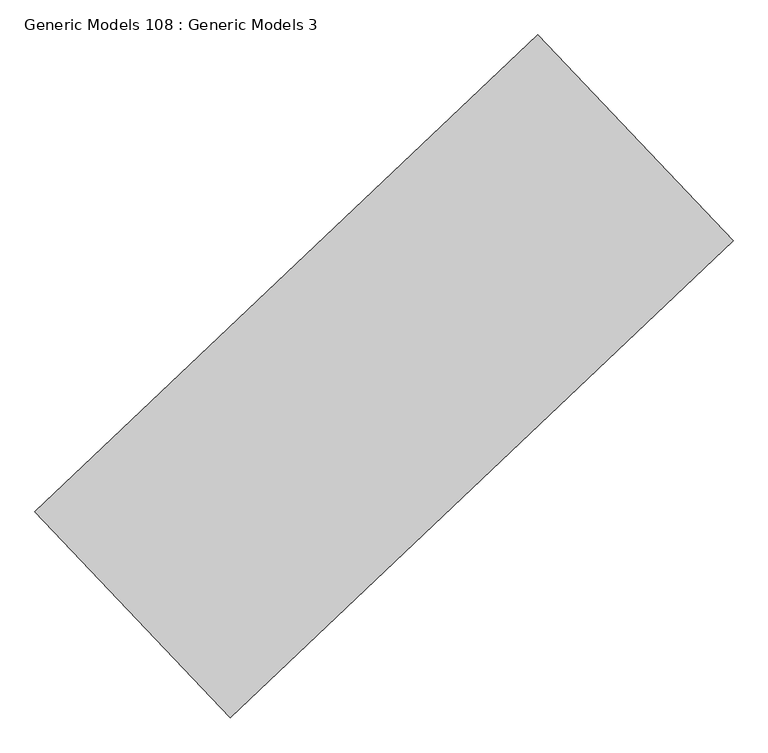
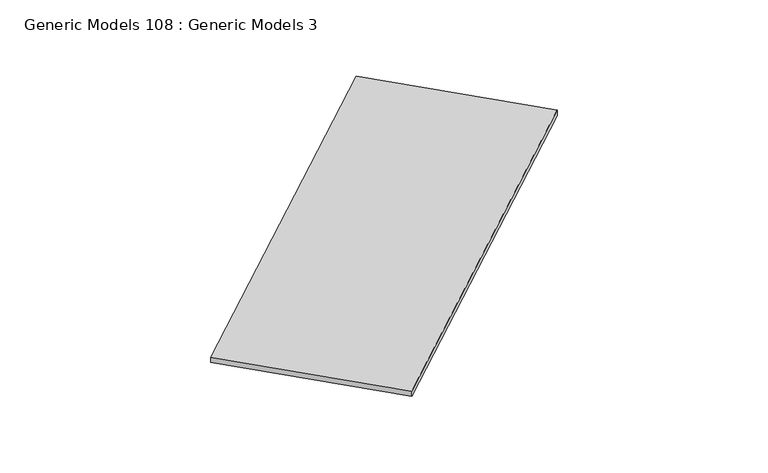
"""IFC4 building model written with IfcOpenShell, lengths in millimetres: proxy geometry, Generic Models 108 : Generic Models 3."""

from ifc_helpers import new_model, si_unit, frame, origin, place, context, project, spatial, polyline, outline, extrude, source, transform, mapped, element, save


def generic_models_108_generic_models_3_51b3ad37(model_context):
    return source(origin(), model_context, "Body", "SweptSolid", [
        extrude(outline(polyline([(102454.4391199, 43884.4145871), (102807.6513003, 43512.2066113), (101899.0926991, 42650.016692), (101545.8805187, 43022.2246678), (102454.4391199, 43884.4145871)])), frame((0.0, 0.0, 17383.125), z_axis=(0.0, 0.0, 1.0), x_axis=(1.0, 0.0, 0.0)), (0.0, 0.0, 1.0), 15.875),
    ])


if __name__ == "__main__":
    model = new_model("IFC4")
    model_context = context("Model", 3, world=origin())
    ifc_project = project(units=[si_unit("LENGTHUNIT", "METRE", prefix="MILLI")], contexts=[model_context])
    site = spatial("IfcSite", under=ifc_project)
    building = spatial("IfcBuilding", under=site)
    placement = place(None, origin())
    generic_models_108_generic_models_3_shape = generic_models_108_generic_models_3_51b3ad37(model_context)
    element("IfcBuildingElementProxy", 1, Name="Generic Models 108 : Generic Models 3", ObjectType="Generic Models 108 : Generic Models 3", at=placement, inside=building, context=model_context, shape_type="MappedRepresentation", body=[
        mapped(generic_models_108_generic_models_3_shape, transform((0.0, 0.0, 0.0), x_axis=(1.0, 0.0, 0.0), y_axis=(0.0, 1.0, 0.0), z_axis=(0.0, 0.0, 1.0))),
    ])
    save(model, "model.ifc")
